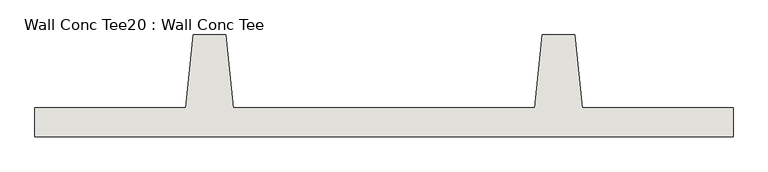
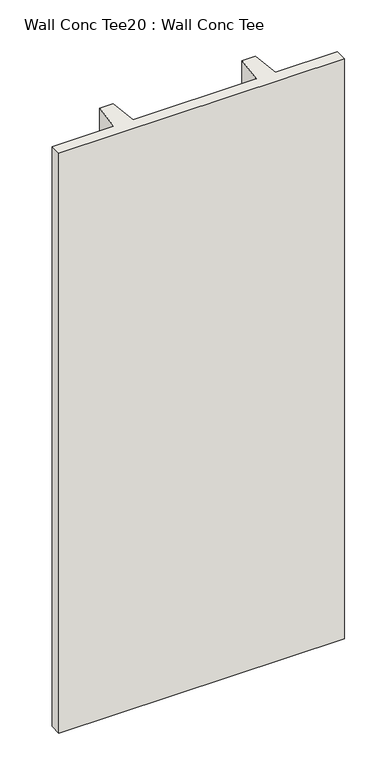
"""IFC4 building model written with IfcOpenShell, lengths in millimetres: wall geometry, Wall Conc Tee20 : Wall Conc Tee."""

from ifc_helpers import new_model, si_unit, frame, origin, place, context, project, spatial, polyline, outline, extrude, source, transform, mapped, element, save


def wall_conc_tee20_wall_conc_tee_12dbd928(model_context):
    return source(origin(), model_context, "Body", "SweptSolid", [
        extrude(outline(polyline([(219926.6728488, 180886.8596581), (217488.2728488, 180886.8596581), (217488.2728488, 180988.4596581), (218015.3228488, 180988.4596581), (218040.7228488, 181242.4596581), (218155.0228488, 181242.4596581), (218180.4228488, 180988.4596581), (219234.5228488, 180988.4596581), (219259.9228488, 181242.4596581), (219374.2228488, 181242.4596581), (219399.6228488, 180988.4596581), (219926.6728488, 180988.4596581), (219926.6728488, 180886.8596581)])), frame((0.0, 0.0, 143.7592564), z_axis=(0.0, 0.0, 1.0), x_axis=(1.0, 0.0, 0.0)), (0.0, 0.0, 1.0), 5232.4087123),
    ])


if __name__ == "__main__":
    model = new_model("IFC4")
    model_context = context("Model", 3, world=origin())
    ifc_project = project(units=[si_unit("LENGTHUNIT", "METRE", prefix="MILLI")], contexts=[model_context])
    site = spatial("IfcSite", under=ifc_project)
    building = spatial("IfcBuilding", under=site)
    placement = place(None, origin())
    wall_conc_tee20_wall_conc_tee_shape = wall_conc_tee20_wall_conc_tee_12dbd928(model_context)
    element("IfcWall", 1, ObjectType="Wall Conc Tee20 : Wall Conc Tee", at=placement, inside=building, context=model_context, shape_type="MappedRepresentation", body=[
        mapped(wall_conc_tee20_wall_conc_tee_shape, transform((0.0, 0.0, 0.0), x_axis=(1.0, 0.0, 0.0), y_axis=(0.0, 1.0, 0.0), z_axis=(0.0, 0.0, 1.0))),
    ])
    save(model, "model.ifc")
